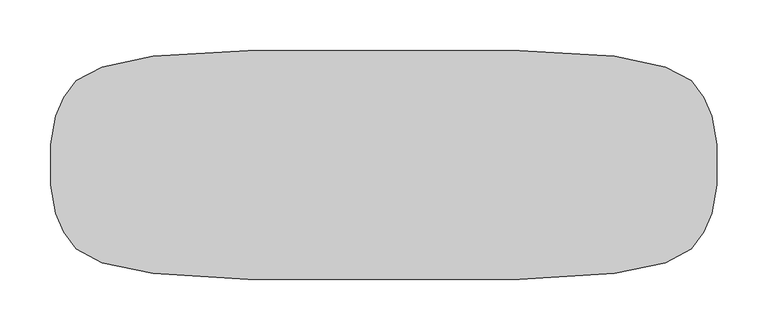
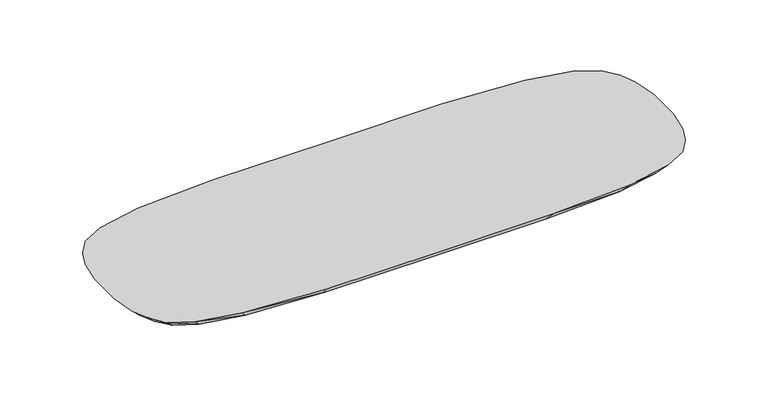
"""IFC4 building model written with IfcOpenShell, lengths in millimetres: furniture geometry."""

import ifcopenshell
import ifcopenshell.guid

model = None  # the IFC model being written
_history = None  # IfcOwnerHistory: only IFC2X3 demands one
_inside = {}  # id of a spatial element -> (the spatial element, [elements in it])
_under = {}  # id of a project, library or spatial element -> (it, [spatial elements below it])
_declared = {}  # id of a project -> (the project, [libraries it declares])
_typed = {}  # id of a type object -> (the type object, [elements of that type])
_made_of = {}  # id of a material, layer set ... -> (it, [elements and type objects made of it])


def new_model(schema):
    """Start an empty IFC model of exactly this schema.

    Asked for "IFC4X3", IfcOpenShell would pick the latest addendum, in which some entities
    have other attributes; the version numbers below select the first issue.
    IFC2X3 requires an IfcOwnerHistory on every rooted entity: one is made here for all.
    """
    global model, _history
    if schema == "IFC4X3":
        model = ifcopenshell.file(schema_version=(4, 3, 0, 0))
    else:
        model = ifcopenshell.file(schema=schema)
    _inside.clear()
    _under.clear()
    _declared.clear()
    _typed.clear()
    _made_of.clear()
    _history = None
    if model.schema == "IFC2X3":
        org = make("IfcOrganization", Name="unknown")
        user = make(
            "IfcPersonAndOrganization",
            ThePerson=make("IfcPerson", FamilyName="unknown"),
            TheOrganization=org,
        )
        app = make(
            "IfcApplication",
            ApplicationDeveloper=org,
            Version="unknown",
            ApplicationFullName="unknown",
            ApplicationIdentifier="unknown",
        )
        _history = make(
            "IfcOwnerHistory",
            OwningUser=user,
            OwningApplication=app,
            ChangeAction="ADDED",
            CreationDate=0,
        )
    return model


def make(cls, **values):
    """One entity of the class cls with the attributes given. An attribute that is None is left unset."""
    return model.create_entity(
        cls, **{name: value for name, value in values.items() if value is not None}
    )


def rooted(cls, **values):
    """An entity with a GlobalId (a new one), such as an element, a storey or a relation."""
    return make(cls, GlobalId=ifcopenshell.guid.new(), OwnerHistory=_history, **values)


def si_unit(unit_type, name, prefix=None):
    """IfcSIUnit, for example si_unit("LENGTHUNIT", "METRE", prefix="MILLI")."""
    return make("IfcSIUnit", UnitType=unit_type, Prefix=prefix, Name=name)


def assignment(units):
    """IfcUnitAssignment: the units of a project."""
    return None if units is None else make("IfcUnitAssignment", Units=units)


def point(xyz):
    """IfcCartesianPoint."""
    return None if xyz is None else make("IfcCartesianPoint", Coordinates=xyz)


def direction(xyz):
    """IfcDirection."""
    return None if xyz is None else make("IfcDirection", DirectionRatios=xyz)


def frame(location, z_axis=None, x_axis=None):
    """IfcAxis2Placement3D, a coordinate frame: its origin and axes. An axis left out is left unset."""
    return make(
        "IfcAxis2Placement3D",
        Location=point(location),
        Axis=direction(z_axis),
        RefDirection=direction(x_axis),
    )


def origin():
    """The frame at (0, 0, 0) with its axes left unset."""
    return frame((0.0, 0.0, 0.0))


def place(relative_to, where):
    """IfcLocalPlacement: puts the frame where relative to a parent placement (None: the world)."""
    return make(
        "IfcLocalPlacement", PlacementRelTo=relative_to, RelativePlacement=where
    )


def context(
    kind, dimensions, precision=None, world=None, true_north=None, identifier=None
):
    """IfcGeometricRepresentationContext, for example the 3D "Model" context."""
    return make(
        "IfcGeometricRepresentationContext",
        ContextIdentifier=identifier,
        ContextType=kind,
        CoordinateSpaceDimension=dimensions,
        Precision=precision,
        WorldCoordinateSystem=world,
        TrueNorth=true_north,
    )


def project(units=None, contexts=None):
    """IfcProject with its units and contexts."""
    return rooted(
        "IfcProject",
        Name="project",
        RepresentationContexts=contexts,
        UnitsInContext=assignment(units),
    )


def spatial(cls, under=None, at=None, **own):
    """A site, building, storey or space (cls), placed at a placement, below another one or the project."""
    s = rooted(cls, ObjectPlacement=at, **own)
    if under is not None:
        _under.setdefault(under.id(), (under, []))[1].append(s)
    return s


def point_list(points):
    """IfcCartesianPointList2D or 3D."""
    cls = (
        "IfcCartesianPointList2D" if len(points[0]) == 2 else "IfcCartesianPointList3D"
    )
    return make(cls, CoordList=points)


def triangles(points, corners, closed=None, point_numbers=None):
    """IfcTriangulatedFaceSet: each triangle names its three corners, points numbered from 1."""
    return make(
        "IfcTriangulatedFaceSet",
        Coordinates=point_list(points),
        Closed=closed,
        CoordIndex=corners,
        PnIndex=point_numbers,
    )


def shape(context_of_items, identifier, shape_type, items):
    """IfcShapeRepresentation: the items that make up one representation, for example the "Body"."""
    return make(
        "IfcShapeRepresentation",
        ContextOfItems=context_of_items,
        RepresentationIdentifier=identifier,
        RepresentationType=shape_type,
        Items=items,
    )


def source(mapping_origin, context_of_items, identifier, shape_type, items):
    """IfcRepresentationMap: a shape defined once, which mapped items show again and again."""
    return make(
        "IfcRepresentationMap",
        MappingOrigin=mapping_origin,
        MappedRepresentation=shape(context_of_items, identifier, shape_type, items),
    )


def transform(
    local_origin,
    x_axis=None,
    y_axis=None,
    z_axis=None,
    scale=None,
    scale2=None,
    scale3=None,
    uniform=True,
):
    """IfcCartesianTransformationOperator3D, or its non-uniform kind. x_axis, y_axis, z_axis: its Axis1, 2, 3."""
    if uniform:
        return make(
            "IfcCartesianTransformationOperator3D",
            Axis1=direction(x_axis),
            Axis2=direction(y_axis),
            LocalOrigin=point(local_origin),
            Scale=scale,
            Axis3=direction(z_axis),
        )
    return make(
        "IfcCartesianTransformationOperator3DnonUniform",
        Axis1=direction(x_axis),
        Axis2=direction(y_axis),
        LocalOrigin=point(local_origin),
        Scale=scale,
        Axis3=direction(z_axis),
        Scale2=scale2,
        Scale3=scale3,
    )


def mapped(mapping_source, mapping_target):
    """IfcMappedItem: shows the shape of a source again, moved by a transform."""
    return make(
        "IfcMappedItem", MappingSource=mapping_source, MappingTarget=mapping_target
    )


def made_of(thing, what):
    """Note that an element or type object is made of a material, layer set ...; save() writes the relation."""
    if what is not None:
        _made_of.setdefault(what.id(), (what, []))[1].append(thing)
    return thing


def element(
    cls,
    number,
    at=None,
    inside=None,
    cuts=None,
    type_object=None,
    material=None,
    context=None,
    identifier="Body",
    shape_type=None,
    held_by="IfcProductDefinitionShape",
    body=None,
    shapes=None,
    **own,
):
    """One element of the class cls, such as IfcWall. Its Tag is "e" and its number.

    at: its placement. inside: the storey or other place that contains it. cuts: it is an
    opening in that element (IfcRelVoidsElement). A single representation is given by context,
    identifier, shape_type and body (its items); several are given by shapes. held_by: the class
    of the entity that holds the representations. save() writes the other relations.
    """
    e = rooted(cls, Tag="e%d" % number, ObjectPlacement=at, **own)
    if body is not None:
        shapes = [shape(context, identifier, shape_type, body)]
    if shapes is not None:
        e.Representation = make(held_by, Representations=shapes)
    if inside is not None:
        _inside.setdefault(inside.id(), (inside, []))[1].append(e)
    if cuts is not None:
        rooted(
            "IfcRelVoidsElement", RelatingBuildingElement=cuts, RelatedOpeningElement=e
        )
    if type_object is not None:
        _typed.setdefault(type_object.id(), (type_object, []))[1].append(e)
    return made_of(e, material)


def aggregate(whole, parts):
    """IfcRelAggregates: a whole, such as a stair, and the parts it consists of."""
    return rooted("IfcRelAggregates", RelatingObject=whole, RelatedObjects=parts)


def save(model, path):
    """Write the relations noted so far, then the file.

    IfcRelAggregates (storeys below a building ...), IfcRelContainedInSpatialStructure (elements
    in a storey), IfcRelDefinesByType, IfcRelAssociatesMaterial and IfcRelDeclares: one each for
    every whole, place, type object, material and project.
    """
    for whole, parts in _under.values():
        aggregate(whole, parts)
    for where, things in _inside.values():
        rooted(
            "IfcRelContainedInSpatialStructure",
            RelatedElements=things,
            RelatingStructure=where,
        )
    for kind, things in _typed.values():
        rooted("IfcRelDefinesByType", RelatedObjects=things, RelatingType=kind)
    for what, things in _made_of.values():
        rooted("IfcRelAssociatesMaterial", RelatedObjects=things, RelatingMaterial=what)
    for by, libraries in _declared.values():
        rooted("IfcRelDeclares", RelatingContext=by, RelatedDefinitions=libraries)
    model.write(path)


def furniture_8ad494e1(model_context):
    return source(origin(), model_context, "Body", "Tessellation", [
        triangles([(-248.7850506, 69.6274406, 1.0019495), (-203.9569366, 74.8336317, 1.0019617), (-203.9569366, 74.8336317, 0.4939621), (-248.7850506, 69.6274406, 0.49395), (-248.7850506, -64.3039783, 1.0019617), (-271.6766948, -56.5641982, 1.0019737), (-271.6766948, -56.5641982, 0.4939742), (-248.7850506, -64.3039783, 0.4939621), (-271.6766948, 61.8876423, 1.0019737), (-271.6766948, 61.8876423, 0.4939742), (-283.0120312, -49.5492058, 1.0019737), (-283.0120312, -49.5492058, 0.4939742), (-283.0120312, 54.8726499, 1.0019737), (-283.0120312, 54.8726499, 0.4939742), (-289.708225, -35.1996933, 1.0019737), (-289.708225, -35.1996933, 0.4939742), (-289.708225, 40.5231397, 1.0019737), (-289.708225, 40.5231397, 0.4939742), (-294.5473736, -13.0587096, 1.0019737), (-294.5473736, -13.0587096, 0.4939742), (-294.5473736, 18.3821617, 1.0019375), (-294.5473736, 18.3821617, 0.4939379), (0.2063102, -110.6872845, 21.1615603), (134.6176552, -110.6872754, 21.1615603), (134.6176733, 116.0107059, 21.1615603), (0.2063218, 116.0106968, 21.1615603), (228.865627, -104.8659647, 21.1615694), (228.865627, 110.1893861, 21.1615672), (279.0724098, -94.3440597, 21.161574), (279.0724098, 99.667472, 21.1615717), (304.7106523, -80.7759198, 21.1615762), (304.7106523, 86.0993322, 21.161574), (317.4060619, -63.7116044, 21.1615762), (317.4060619, 69.0350167, 21.161574), (324.9056768, -45.46974, 21.1615785), (324.9056768, 50.7931615, 21.161574), (330.3254405, -17.3229468, 21.1615808), (330.3254405, 22.6463625, 21.161574), (-134.2050169, 116.0107059, 21.1615603), (-134.2050259, -110.6872754, 21.1615603), (-228.4530068, -104.8659647, 21.1615694), (-228.4530068, 110.1893952, 21.1615672), (-278.6597896, -94.3440324, 21.161574), (-278.6597896, 99.6674993, 21.1615717), (-304.2979776, -80.7758926, 21.1615762), (-304.2979776, 86.0993594, 21.161574), (-316.9934418, -63.7115771, 21.1615762), (-316.9934418, 69.035044, 21.161574), (-324.4930203, -45.4697219, 21.1615785), (-324.4930203, 50.7931796, 21.161574), (-329.9128203, -17.3229263, 21.1615808), (-329.9128203, 22.646383, 21.161574), (120.2182616, 78.7408605, 1.8575567), (120.2182616, -73.4174255, 1.8575597), (0.2063142, -73.4174255, 1.8575613), (0.2063178, 78.7408605, 1.8575583), (204.3695023, 74.8336226, 1.8575643), (204.3694659, -69.5101921, 1.8575704), (249.1976708, 67.7713811, 1.8575674), (249.1976708, -62.4479597, 1.8575704), (272.0892968, 58.6645287, 1.8575688), (272.0892968, -53.3411073, 1.8575734), (283.4246514, 47.2110672, 1.8575704), (283.4246514, -41.8876458, 1.8575765), (290.1208451, 34.9672402, 1.8575704), (290.1208451, -29.6438188, 1.8575749), (294.9599575, 16.0752838, 1.8575688), (294.9599938, -10.7518669, 1.8575779), (-119.8056051, 78.7408605, 1.8575583), (-119.8056142, -73.4174164, 1.8575629), (-203.9568639, -69.510183, 1.8575719), (-203.9568639, 74.8336317, 1.8575674), (-248.7849961, -62.447937, 1.8575779), (-248.7849961, 67.7713993, 1.8575734), (-271.6766221, -53.3410891, 1.857581), (-271.6766221, 58.6645469, 1.8575749), (-283.0119767, -41.8876276, 1.8575824), (-283.0119767, 47.2110854, 1.8575719), (-289.7081886, -29.6438029, 1.8575824), (-289.7081886, 34.9672629, 1.8575749), (-294.5473191, -10.7518487, 1.857584), (-294.5473191, 16.0752997, 1.8575734), (130.250171, 106.9512026, 10.3308749), (0.2063223, 107.2115882, 10.6421818), (0.2063097, -101.8881758, 10.6421818), (130.2501438, -101.627772, 10.330876), (221.1690582, -95.9633467, 9.9422461), (221.1690764, 101.2867772, 9.9422449), (269.5511341, -86.1973186, 9.7812253), (269.5511886, 91.5207309, 9.7812241), (294.3124497, -73.7675631, 9.7794471), (294.3124497, 79.0909845, 9.779446), (306.6659108, -58.1837169, 9.8757349), (306.6659108, 63.5071383, 9.8757292), (314.0133184, -41.4982119, 9.9801401), (314.0133184, 46.8216333, 9.9801332), (319.3632826, -15.690612, 10.0932713), (319.3632826, 21.0140312, 10.0932634), (-129.8375145, -101.6277811, 10.330876), (-129.8374873, 106.9512026, 10.3308749), (-220.7563836, 101.2867772, 9.9422381), (-220.7563836, -95.9633286, 9.9422415), (-269.1385139, 91.5207582, 9.7812253), (-269.1385139, -86.1972913, 9.7812264), (-293.8997387, 79.0909936, 9.7794415), (-293.8997387, -73.7675358, 9.7794437), (-306.2532907, 63.507161, 9.8757303), (-306.2532907, -58.1837078, 9.875736), (-313.6006619, 46.821647, 9.9801264), (-313.6006619, -41.4981937, 9.9801344), (-318.9506261, 21.0140471, 10.0932554), (-318.9506261, -15.6905916, 10.0932645), (0.2063171, 92.3212543, 2.945416), (124.7676114, 92.760935, 2.9806351), (124.7676114, -87.4375045, 2.9806366), (0.2063149, -86.9978148, 2.945416), (212.308171, -83.1528187, 3.0095743), (212.3082074, 88.4762583, 3.0095711), (258.8352548, -74.6995193, 3.0043253), (258.8353093, 80.0229407, 3.0043239), (282.3290242, -63.5947056, 2.9733846), (282.3290242, 68.9181225, 2.9733832), (293.566674, -49.6430636, 2.9185111), (293.566674, 54.9664805, 2.9185051), (299.9084018, -34.9458275, 2.8577789), (299.9084018, 40.2692399, 2.8577729), (304.1714955, -12.7897308, 2.7834602), (304.1714955, 18.1131511, 2.7834539), (-124.3549549, -87.4374954, 2.980638), (-124.3549549, 92.7609441, 2.9806351), (-211.8954964, 88.4762492, 3.0095711), (-211.8954964, -83.1528005, 3.009576), (-258.4226346, 80.0229498, 3.004327), (-258.4226346, -74.699492, 3.0043301), (-281.9163496, 68.9181316, 2.9733846), (-281.9163496, -63.5946784, 2.9733891), (-293.1540539, 54.9664986, 2.9185068), (-293.1540539, -49.6430409, 2.9185142), (-299.4957271, 40.2692535, 2.8577743), (-299.4957271, -34.9457935, 2.857782), (-303.7587663, 18.1131602, 2.7834525), (-303.7587663, -12.7897069, 2.7834616), (0.206302, -73.4174255, 0.4939258), (0.2063057, 78.7408605, 0.4939258), (120.2182616, 78.7408605, 0.4939258), (120.2182434, -73.4174255, 0.4939258), (204.3694478, -69.5101921, 0.4939258), (204.3694659, 74.8336226, 0.4939258), (249.1976526, -64.304001, 0.4939379), (249.1976526, 69.6274179, 0.4939258), (272.0892423, -56.5642164, 0.4939379), (272.0892423, 61.8876242, 0.4939258), (283.424615, -49.5492239, 0.4939379), (283.424615, 54.8726317, 0.4939258), (290.1208088, -35.1997137, 0.4939015), (290.1208088, 40.5231215, 0.4939258), (294.9599575, -13.0587278, 0.4939379), (294.959903, 18.3821436, 0.4939258), (-119.8056414, -73.4174164, 0.4939379), (-119.8056232, 78.7408605, 0.4939379), (-203.9569366, -69.510183, 0.4939621), (120.2182616, 78.7408605, 1.0019252), (0.2063057, 78.7408605, 1.0019252), (0.206302, -73.4174255, 1.0019252), (120.2182434, -73.4174255, 1.0019252), (204.3694478, -69.5101921, 1.0019252), (204.3694659, 74.8336226, 1.0019252), (249.1976526, -64.304001, 1.0019375), (249.1976526, 69.6274179, 1.0019252), (272.0892423, -56.5642164, 1.0019375), (272.0892423, 61.8876242, 1.0019252), (283.424615, -49.5492239, 1.0019375), (283.424615, 54.8726317, 1.0019252), (290.1208088, -35.1997137, 1.001901), (290.1208088, 40.5231215, 1.0019252), (294.9599575, -13.0587278, 1.0019375), (294.959903, 18.3821436, 1.0019252), (-119.8056232, 78.7408605, 1.0019375), (-119.8056414, -73.4174164, 1.0019375), (-203.9569366, -69.510183, 1.0019617)], [[1, 2, 3], [3, 4, 1], [5, 6, 7], [7, 8, 5], [9, 1, 4], [4, 10, 9], [6, 11, 12], [12, 7, 6], [13, 9, 10], [10, 14, 13], [11, 15, 16], [16, 12, 11], [17, 13, 14], [14, 18, 17], [15, 19, 20], [20, 16, 15], [19, 21, 22], [22, 20, 19], [21, 17, 18], [18, 22, 21], [23, 24, 25], [25, 26, 23], [27, 28, 25], [25, 24, 27], [29, 30, 28], [28, 27, 29], [31, 32, 30], [30, 29, 31], [33, 34, 32], [32, 31, 33], [35, 36, 34], [34, 33, 35], [37, 38, 36], [36, 35, 37], [23, 26, 39], [39, 40, 23], [41, 40, 39], [39, 42, 41], [43, 41, 42], [42, 44, 43], [45, 43, 44], [44, 46, 45], [47, 45, 46], [46, 48, 47], [49, 47, 48], [48, 50, 49], [51, 49, 50], [50, 52, 51], [53, 54, 55], [55, 56, 53], [53, 57, 58], [58, 54, 53], [57, 59, 60], [60, 58, 57], [59, 61, 62], [62, 60, 59], [61, 63, 64], [64, 62, 61], [63, 65, 66], [66, 64, 63], [65, 67, 68], [68, 66, 65], [69, 56, 55], [55, 70, 69], [69, 70, 71], [71, 72, 69], [72, 71, 73], [73, 74, 72], [74, 73, 75], [75, 76, 74], [76, 75, 77], [77, 78, 76], [78, 77, 79], [79, 80, 78], [80, 79, 81], [81, 82, 80], [25, 83, 84], [84, 26, 25], [23, 85, 86], [86, 24, 23], [24, 86, 87], [87, 27, 24], [28, 88, 83], [83, 25, 28], [27, 87, 89], [89, 29, 27], [30, 90, 88], [88, 28, 30], [29, 89, 91], [91, 31, 29], [32, 92, 90], [90, 30, 32], [31, 91, 93], [93, 33, 31], [34, 94, 92], [92, 32, 34], [33, 93, 95], [95, 35, 33], [36, 96, 94], [94, 34, 36], [35, 95, 97], [97, 37, 35], [37, 97, 98], [98, 38, 37], [38, 98, 96], [96, 36, 38], [40, 99, 85], [85, 23, 40], [26, 84, 100], [100, 39, 26], [39, 100, 101], [101, 42, 39], [41, 102, 99], [99, 40, 41], [42, 101, 103], [103, 44, 42], [43, 104, 102], [102, 41, 43], [44, 103, 105], [105, 46, 44], [45, 106, 104], [104, 43, 45], [46, 105, 107], [107, 48, 46], [47, 108, 106], [106, 45, 47], [48, 107, 109], [109, 50, 48], [49, 110, 108], [108, 47, 49], [50, 109, 111], [111, 52, 50], [52, 111, 112], [112, 51, 52], [51, 112, 110], [110, 49, 51], [53, 56, 113], [113, 114, 53], [55, 54, 115], [115, 116, 55], [54, 58, 117], [117, 115, 54], [57, 53, 114], [114, 118, 57], [58, 60, 119], [119, 117, 58], [59, 57, 118], [118, 120, 59], [60, 62, 121], [121, 119, 60], [61, 59, 120], [120, 122, 61], [62, 64, 123], [123, 121, 62], [63, 61, 122], [122, 124, 63], [64, 66, 125], [125, 123, 64], [65, 63, 124], [124, 126, 65], [66, 68, 127], [127, 125, 66], [68, 67, 128], [128, 127, 68], [67, 65, 126], [126, 128, 67], [70, 55, 116], [116, 129, 70], [56, 69, 130], [130, 113, 56], [69, 72, 131], [131, 130, 69], [71, 70, 129], [129, 132, 71], [72, 74, 133], [133, 131, 72], [73, 71, 132], [132, 134, 73], [74, 76, 135], [135, 133, 74], [75, 73, 134], [134, 136, 75], [76, 78, 137], [137, 135, 76], [77, 75, 136], [136, 138, 77], [78, 80, 139], [139, 137, 78], [79, 77, 138], [138, 140, 79], [80, 82, 141], [141, 139, 80], [82, 81, 142], [142, 141, 82], [81, 79, 140], [140, 142, 81], [83, 114, 113], [113, 84, 83], [85, 116, 115], [115, 86, 85], [86, 115, 117], [117, 87, 86], [88, 118, 114], [114, 83, 88], [87, 117, 119], [119, 89, 87], [90, 120, 118], [118, 88, 90], [89, 119, 121], [121, 91, 89], [92, 122, 120], [120, 90, 92], [91, 121, 123], [123, 93, 91], [94, 124, 122], [122, 92, 94], [93, 123, 125], [125, 95, 93], [96, 126, 124], [124, 94, 96], [95, 125, 127], [127, 97, 95], [97, 127, 128], [128, 98, 97], [98, 128, 126], [126, 96, 98], [99, 129, 116], [116, 85, 99], [84, 113, 130], [130, 100, 84], [100, 130, 131], [131, 101, 100], [102, 132, 129], [129, 99, 102], [101, 131, 133], [133, 103, 101], [104, 134, 132], [132, 102, 104], [103, 133, 135], [135, 105, 103], [106, 136, 134], [134, 104, 106], [105, 135, 137], [137, 107, 105], [108, 138, 136], [136, 106, 108], [107, 137, 139], [139, 109, 107], [110, 140, 138], [138, 108, 110], [109, 139, 141], [141, 111, 109], [111, 141, 142], [142, 112, 111], [112, 142, 140], [140, 110, 112], [143, 144, 145], [145, 146, 143], [147, 146, 145], [145, 148, 147], [149, 147, 148], [148, 150, 149], [151, 149, 150], [150, 152, 151], [153, 151, 152], [152, 154, 153], [155, 153, 154], [154, 156, 155], [157, 155, 156], [156, 158, 157], [143, 159, 160], [160, 144, 143], [161, 3, 160], [160, 159, 161], [8, 4, 3], [3, 161, 8], [7, 10, 4], [4, 8, 7], [12, 14, 10], [10, 7, 12], [16, 18, 14], [14, 12, 16], [20, 22, 18], [18, 16, 20], [162, 163, 164], [164, 165, 162], [162, 165, 166], [166, 167, 162], [167, 166, 168], [168, 169, 167], [169, 168, 170], [170, 171, 169], [171, 170, 172], [172, 173, 171], [173, 172, 174], [174, 175, 173], [175, 174, 176], [176, 177, 175], [178, 179, 164], [164, 163, 178], [178, 2, 180], [180, 179, 178], [2, 1, 5], [5, 180, 2], [1, 9, 6], [6, 5, 1], [9, 13, 11], [11, 6, 9], [13, 17, 15], [15, 11, 13], [17, 21, 19], [19, 15, 17], [165, 164, 143], [143, 146, 165], [163, 162, 145], [145, 144, 163], [162, 167, 148], [148, 145, 162], [166, 165, 146], [146, 147, 166], [167, 169, 150], [150, 148, 167], [168, 166, 147], [147, 149, 168], [169, 171, 152], [152, 150, 169], [170, 168, 149], [149, 151, 170], [171, 173, 154], [154, 152, 171], [172, 170, 151], [151, 153, 172], [173, 175, 156], [156, 154, 173], [174, 172, 153], [153, 155, 174], [175, 177, 158], [158, 156, 175], [177, 176, 157], [157, 158, 177], [176, 174, 155], [155, 157, 176], [178, 163, 144], [144, 160, 178], [164, 179, 159], [159, 143, 164], [179, 180, 161], [161, 159, 179], [2, 178, 160], [160, 3, 2], [180, 5, 8], [8, 161, 180]]),
    ])


if __name__ == "__main__":
    model = new_model("IFC4")
    model_context = context("Model", 3, world=origin())
    ifc_project = project(units=[si_unit("LENGTHUNIT", "METRE", prefix="MILLI")], contexts=[model_context])
    site = spatial("IfcSite", under=ifc_project)
    building = spatial("IfcBuilding", under=site)
    placement = place(None, origin())
    furniture_shape = furniture_8ad494e1(model_context)
    element("IfcFurniture", 1, at=placement, inside=building, context=model_context, shape_type="MappedRepresentation", body=[
        mapped(furniture_shape, transform((0.0, 0.0, 0.0), x_axis=(1.0, 0.0, 0.0), y_axis=(0.0, 1.0, 0.0), z_axis=(0.0, 0.0, 1.0))),
    ])
    save(model, "model.ifc")
